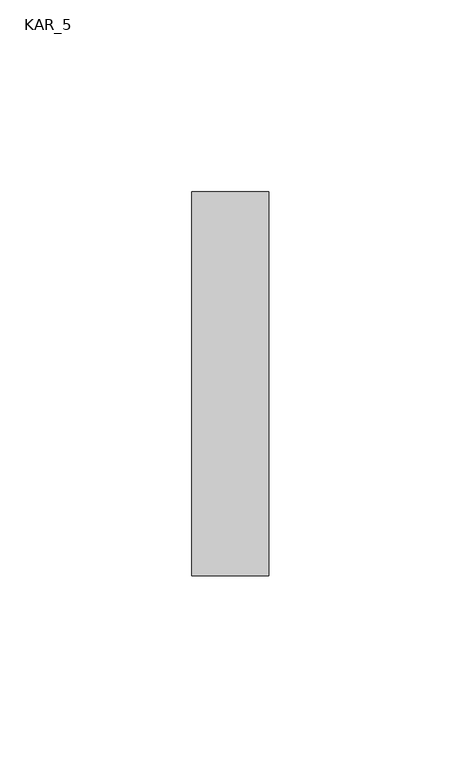
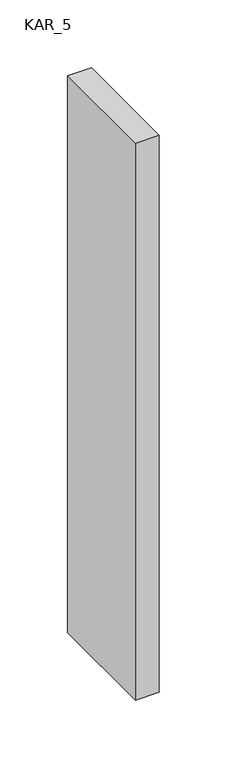
"""IFC4 building model written with IfcOpenShell, lengths in millimetres: proxy geometry, KAR_5."""

from ifc_helpers import new_model, si_unit, frame, origin, place, context, project, spatial, polyline, outline, extrude, source, transform, mapped, element, save


def kar_5_6a617481(model_context):
    return source(origin(), model_context, "Body", "SweptSolid", [
        extrude(outline(polyline([(20.0, 100.0), (20.0, 0.0), (0.0, 0.0), (0.0, 100.0), (20.0, 100.0)])), frame((0.0, 0.0, 1100.0), z_axis=(0.0, 0.0, 1.0), x_axis=(1.0, 0.0, 0.0)), (0.0, 0.0, 1.0), 500.0),
    ])


if __name__ == "__main__":
    model = new_model("IFC4")
    model_context = context("Model", 3, world=origin())
    ifc_project = project(units=[si_unit("LENGTHUNIT", "METRE", prefix="MILLI")], contexts=[model_context])
    site = spatial("IfcSite", under=ifc_project)
    building = spatial("IfcBuilding", under=site)
    placement = place(None, origin())
    kar_5_shape = kar_5_6a617481(model_context)
    element("IfcBuildingElementProxy", 1, Name="KAR_5", ObjectType="KAR_5", at=placement, inside=building, context=model_context, shape_type="MappedRepresentation", body=[
        mapped(kar_5_shape, transform((0.0, 0.0, 0.0), x_axis=(1.0, 0.0, 0.0), y_axis=(0.0, 1.0, 0.0), z_axis=(0.0, 0.0, 1.0))),
    ])
    save(model, "model.ifc")
